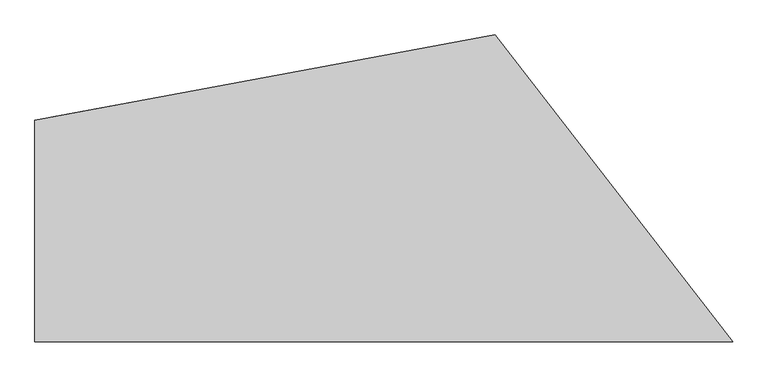
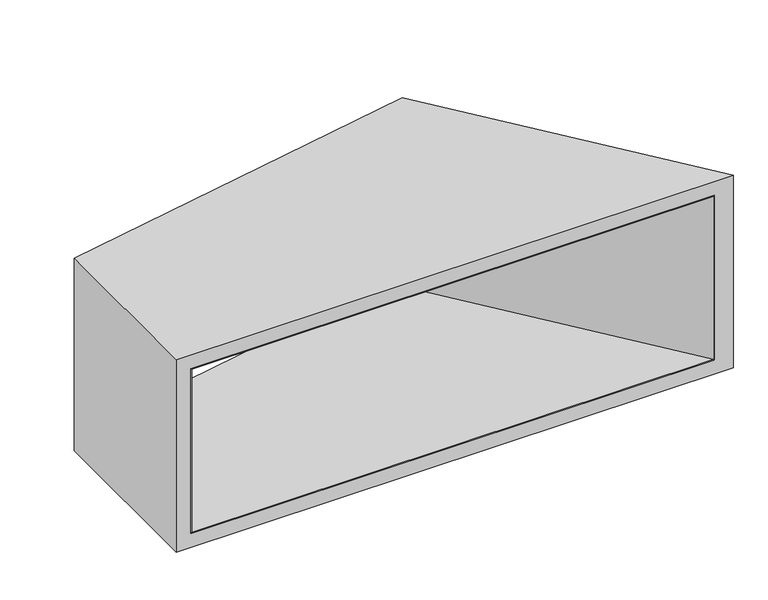
"""IFC4 building model written with IfcOpenShell, lengths in millimetres: furniture geometry."""

from ifc_helpers import new_model, si_unit, point, frame, frame_2d, origin, origin_with_axes, place, context, project, spatial, polyline, circle_curve, trimmed, segment, composite_curve, outline, extrude, faceted_brep, source, transform, mapped, element, save


def furniture_5abb1562(model_context):
    return source(origin(), model_context, "Body", "SolidModel", [
        extrude(outline(polyline([(-386.6129041, 451.557615), (-36.5419736, 0.0), (-1012.5201736, 0.0), (-1012.5201736, 335.5525594), (-386.6129041, 451.557615)])), frame((0.0, 0.0, 53.0098), z_axis=(0.0, 0.0, 1.0), x_axis=(1.0, 0.0, 0.0)), (0.0, 0.0, 1.0), 1.524),
        extrude(outline(composite_curve([segment(trimmed(circle_curve(frame_2d((-409.0244772, 393.2172198)), 4.826), [point((-413.8504772, 393.2172198))], [point((-404.1984772, 393.2172198))], False, "CARTESIAN"), True, "CONTINUOUS"), segment(trimmed(circle_curve(frame_2d((-409.0244772, 393.2172198)), 4.826), [point((-404.1984772, 393.2172198))], [point((-413.8504772, 393.2172198))], False, "CARTESIAN"), True, "CONTINUOUS")], self_intersect=False)), frame((0.0, 0.0, 13.97), z_axis=(0.0, 0.0, 1.0), x_axis=(1.0, 0.0, 0.0)), (0.0, 0.0, 1.0), 11.4300008),
        extrude(outline(composite_curve([segment(trimmed(circle_curve(frame_2d((-409.0099832, 393.153578)), 17.526), [point((-426.5359832, 393.153578))], [point((-391.4839832, 393.153578))], False, "CARTESIAN"), True, "CONTINUOUS"), segment(trimmed(circle_curve(frame_2d((-409.0099832, 393.153578)), 17.526), [point((-391.4839832, 393.153578))], [point((-426.5359832, 393.153578))], False, "CARTESIAN"), True, "CONTINUOUS")], self_intersect=False)), origin_with_axes(), (0.0, 0.0, 1.0), 13.97),
        extrude(outline(composite_curve([segment(trimmed(circle_curve(frame_2d((-987.4333665, 285.936034)), 4.826), [point((-992.2593665, 285.936034))], [point((-982.6073665, 285.936034))], False, "CARTESIAN"), True, "CONTINUOUS"), segment(trimmed(circle_curve(frame_2d((-987.4333665, 285.936034)), 4.826), [point((-982.6073665, 285.936034))], [point((-992.2593665, 285.936034))], False, "CARTESIAN"), True, "CONTINUOUS")], self_intersect=False)), frame((0.0, 0.0, 13.97), z_axis=(0.0, 0.0, 1.0), x_axis=(1.0, 0.0, 0.0)), (0.0, 0.0, 1.0), 11.4300008),
        extrude(outline(composite_curve([segment(trimmed(circle_curve(frame_2d((-987.4188726, 285.8723922)), 17.526), [point((-1004.9448726, 285.8723922))], [point((-969.8928726, 285.8723922))], False, "CARTESIAN"), True, "CONTINUOUS"), segment(trimmed(circle_curve(frame_2d((-987.4188726, 285.8723922)), 17.526), [point((-969.8928726, 285.8723922))], [point((-1004.9448726, 285.8723922))], False, "CARTESIAN"), True, "CONTINUOUS")], self_intersect=False)), origin_with_axes(), (0.0, 0.0, 1.0), 13.97),
        extrude(outline(composite_curve([segment(trimmed(circle_curve(frame_2d((-144.7693521, 53.3510514)), 4.826), [point((-149.5953521, 53.3510514))], [point((-139.9433521, 53.3510514))], False, "CARTESIAN"), True, "CONTINUOUS"), segment(trimmed(circle_curve(frame_2d((-144.7693521, 53.3510514)), 4.826), [point((-139.9433521, 53.3510514))], [point((-149.5953521, 53.3510514))], False, "CARTESIAN"), True, "CONTINUOUS")], self_intersect=False)), frame((0.0, 0.0, 13.97), z_axis=(0.0, 0.0, 1.0), x_axis=(1.0, 0.0, 0.0)), (0.0, 0.0, 1.0), 11.4300008),
        extrude(outline(composite_curve([segment(trimmed(circle_curve(frame_2d((-144.7548582, 53.2874096)), 17.526), [point((-162.2808582, 53.2874096))], [point((-127.2288582, 53.2874096))], False, "CARTESIAN"), True, "CONTINUOUS"), segment(trimmed(circle_curve(frame_2d((-144.7548582, 53.2874096)), 17.526), [point((-127.2288582, 53.2874096))], [point((-162.2808582, 53.2874096))], False, "CARTESIAN"), True, "CONTINUOUS")], self_intersect=False)), origin_with_axes(), (0.0, 0.0, 1.0), 13.97),
        extrude(outline(composite_curve([segment(trimmed(circle_curve(frame_2d((-987.4333665, 53.3510514)), 4.826), [point((-992.2593665, 53.3510514))], [point((-982.6073665, 53.3510514))], False, "CARTESIAN"), True, "CONTINUOUS"), segment(trimmed(circle_curve(frame_2d((-987.4333665, 53.3510514)), 4.826), [point((-982.6073665, 53.3510514))], [point((-992.2593665, 53.3510514))], False, "CARTESIAN"), True, "CONTINUOUS")], self_intersect=False)), frame((0.0, 0.0, 13.97), z_axis=(0.0, 0.0, 1.0), x_axis=(1.0, 0.0, 0.0)), (0.0, 0.0, 1.0), 11.4300008),
        extrude(outline(composite_curve([segment(trimmed(circle_curve(frame_2d((-987.4188726, 53.2874096)), 17.526), [point((-1004.9448726, 53.2874096))], [point((-969.8928726, 53.2874096))], False, "CARTESIAN"), True, "CONTINUOUS"), segment(trimmed(circle_curve(frame_2d((-987.4188726, 53.2874096)), 17.526), [point((-969.8928726, 53.2874096))], [point((-1004.9448726, 53.2874096))], False, "CARTESIAN"), True, "CONTINUOUS")], self_intersect=False)), origin_with_axes(), (0.0, 0.0, 1.0), 13.97),
        extrude(outline(polyline([(-385.2078427, 451.8180277), (-34.9350268, 0.0), (-36.5419734, 0.0), (-386.6129039, 451.557615), (-385.2078427, 451.8180277)])), frame((0.0, 0.0, 53.0098), z_axis=(0.0, 0.0, 1.0), x_axis=(1.0, 0.0, 0.0)), (0.0, 0.0, 1.0), 325.3803879),
        extrude(outline(polyline([(-1012.5201736, 0.0), (-1013.7902, 0.0), (-1013.7902, 335.317178), (-1012.5201736, 335.5525634), (-1012.5201736, 0.0)])), frame((0.0, 0.0, 53.0098), z_axis=(0.0, 0.0, 1.0), x_axis=(1.0, 0.0, 0.0)), (0.0, 0.0, 1.0), 325.3803879),
        extrude(outline(polyline([(-386.6129041, 451.557615), (-36.5419736, 0.0), (-1012.5201736, 0.0), (-1012.5201736, 335.5525594), (-386.6129041, 451.557615)])), frame((0.0, 0.0, 376.8661879), z_axis=(0.0, 0.0, 1.0), x_axis=(1.0, 0.0, 0.0)), (0.0, 0.0, 1.0), 1.524),
        faceted_brep([(-1041.4000242, 330.1999955, 406.0), (-1041.4000242, 0.0, 406.0), (0.0, 0.0, 406.0), (-354.6618066, 457.4794009, 406.0), (-1041.4000242, 330.1999955, 25.4000008), (-354.6618066, 457.4794009, 25.4000008), (0.0, 0.0, 25.4000008), (-1041.4000242, 0.0, 25.4000008), (-1013.7902, 0.0, 378.3901879), (-34.9350268, 0.0, 378.3901879), (-34.9350268, 0.0, 53.0098), (-1013.7902, 0.0, 53.0098), (-385.2078427, 451.8180277, 378.3901879), (-1013.7902, 335.317174, 378.3901879), (-1013.7902, 335.317174, 53.0098), (-385.2078427, 451.8180277, 53.0098)], [[[0, 1, 2, 3]], [[4, 5, 6, 7]], [[1, 0, 4, 7]], [[2, 1, 7, 6], [8, 9, 10, 11]], [[3, 2, 6, 5]], [[0, 3, 5, 4], [12, 13, 14, 15]], [[12, 9, 8, 13]], [[14, 11, 10, 15]], [[13, 8, 11, 14]], [[9, 12, 15, 10]]]),
    ])


if __name__ == "__main__":
    model = new_model("IFC4")
    model_context = context("Model", 3, world=origin())
    ifc_project = project(units=[si_unit("LENGTHUNIT", "METRE", prefix="MILLI")], contexts=[model_context])
    site = spatial("IfcSite", under=ifc_project)
    building = spatial("IfcBuilding", under=site)
    placement = place(None, origin())
    furniture_shape = furniture_5abb1562(model_context)
    element("IfcFurniture", 1, at=placement, inside=building, context=model_context, shape_type="MappedRepresentation", body=[
        mapped(furniture_shape, transform((0.0, 0.0, 0.0), x_axis=(1.0, 0.0, 0.0), y_axis=(0.0, 1.0, 0.0), z_axis=(0.0, 0.0, 1.0))),
    ])
    save(model, "model.ifc")
